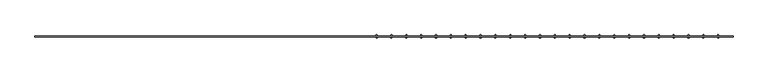
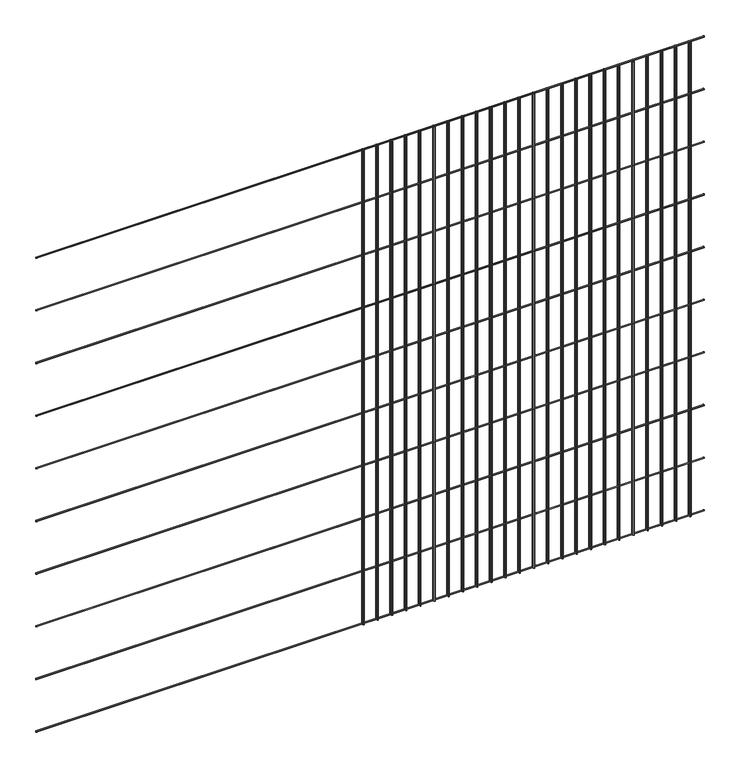
"""IFC4 building model written with IfcOpenShell, lengths in millimetres: railing geometry."""

from ifc_helpers import new_model, si_unit, point, frame, frame_2d, origin, place, context, project, spatial, circle_curve, trimmed, segment, composite_curve, outline, extrude, source, transform, mapped, element, save


def railing_88ce8ea8(model_context):
    return source(origin(), model_context, "Body", "SweptSolid", [
        extrude(outline(composite_curve([segment(trimmed(circle_curve(frame_2d((639.6639637, 9450.8835937)), 2.0574), [point((641.7213637, 9450.8835937))], [point((637.6065637, 9450.8835937))], False, "CARTESIAN"), True, "CONTINUOUS"), segment(trimmed(circle_curve(frame_2d((639.6639637, 9450.8835937)), 2.0574), [point((637.6065637, 9450.8835937))], [point((641.7213637, 9450.8835937))], False, "CARTESIAN"), True, "CONTINUOUS")], self_intersect=False)), frame((-5189.4581376, 0.0, 0.0), z_axis=(1.0, 0.0, 0.0), x_axis=(0.0, 1.0, 0.0)), (0.0, 0.0, 1.0), 2438.4),
        extrude(outline(composite_curve([segment(trimmed(circle_curve(frame_2d((639.6639637, 9247.6835937)), 2.0574), [point((641.7213637, 9247.6835937))], [point((637.6065637, 9247.6835937))], False, "CARTESIAN"), True, "CONTINUOUS"), segment(trimmed(circle_curve(frame_2d((639.6639637, 9247.6835937)), 2.0574), [point((637.6065637, 9247.6835937))], [point((641.7213637, 9247.6835937))], False, "CARTESIAN"), True, "CONTINUOUS")], self_intersect=False)), frame((-5189.4581376, 0.0, 0.0), z_axis=(1.0, 0.0, 0.0), x_axis=(0.0, 1.0, 0.0)), (0.0, 0.0, 1.0), 2438.4),
        extrude(outline(composite_curve([segment(trimmed(circle_curve(frame_2d((639.6639637, 9044.4835937)), 2.0574), [point((641.7213637, 9044.4835937))], [point((637.6065637, 9044.4835937))], False, "CARTESIAN"), True, "CONTINUOUS"), segment(trimmed(circle_curve(frame_2d((639.6639637, 9044.4835937)), 2.0574), [point((637.6065637, 9044.4835937))], [point((641.7213637, 9044.4835937))], False, "CARTESIAN"), True, "CONTINUOUS")], self_intersect=False)), frame((-5189.4581376, 0.0, 0.0), z_axis=(1.0, 0.0, 0.0), x_axis=(0.0, 1.0, 0.0)), (0.0, 0.0, 1.0), 2438.4),
        extrude(outline(composite_curve([segment(trimmed(circle_curve(frame_2d((639.6639637, 8841.2835937)), 2.0574), [point((641.7213637, 8841.2835937))], [point((637.6065637, 8841.2835937))], False, "CARTESIAN"), True, "CONTINUOUS"), segment(trimmed(circle_curve(frame_2d((639.6639637, 8841.2835937)), 2.0574), [point((637.6065637, 8841.2835937))], [point((641.7213637, 8841.2835937))], False, "CARTESIAN"), True, "CONTINUOUS")], self_intersect=False)), frame((-5189.4581376, 0.0, 0.0), z_axis=(1.0, 0.0, 0.0), x_axis=(0.0, 1.0, 0.0)), (0.0, 0.0, 1.0), 2438.4),
        extrude(outline(composite_curve([segment(trimmed(circle_curve(frame_2d((639.6639637, 8638.0835937)), 2.0574), [point((641.7213637, 8638.0835937))], [point((637.6065637, 8638.0835937))], False, "CARTESIAN"), True, "CONTINUOUS"), segment(trimmed(circle_curve(frame_2d((639.6639637, 8638.0835937)), 2.0574), [point((637.6065637, 8638.0835937))], [point((641.7213637, 8638.0835937))], False, "CARTESIAN"), True, "CONTINUOUS")], self_intersect=False)), frame((-5189.4581376, 0.0, 0.0), z_axis=(1.0, 0.0, 0.0), x_axis=(0.0, 1.0, 0.0)), (0.0, 0.0, 1.0), 2438.4),
        extrude(outline(composite_curve([segment(trimmed(circle_curve(frame_2d((639.6639637, 8434.8835937)), 2.0574), [point((641.7213637, 8434.8835937))], [point((637.6065637, 8434.8835937))], False, "CARTESIAN"), True, "CONTINUOUS"), segment(trimmed(circle_curve(frame_2d((639.6639637, 8434.8835937)), 2.0574), [point((637.6065637, 8434.8835937))], [point((641.7213637, 8434.8835937))], False, "CARTESIAN"), True, "CONTINUOUS")], self_intersect=False)), frame((-5189.4581376, 0.0, 0.0), z_axis=(1.0, 0.0, 0.0), x_axis=(0.0, 1.0, 0.0)), (0.0, 0.0, 1.0), 2438.4),
        extrude(outline(composite_curve([segment(trimmed(circle_curve(frame_2d((639.6639637, 8231.6835937)), 2.0574), [point((641.7213637, 8231.6835937))], [point((637.6065637, 8231.6835937))], False, "CARTESIAN"), True, "CONTINUOUS"), segment(trimmed(circle_curve(frame_2d((639.6639637, 8231.6835937)), 2.0574), [point((637.6065637, 8231.6835937))], [point((641.7213637, 8231.6835937))], False, "CARTESIAN"), True, "CONTINUOUS")], self_intersect=False)), frame((-5189.4581376, 0.0, 0.0), z_axis=(1.0, 0.0, 0.0), x_axis=(0.0, 1.0, 0.0)), (0.0, 0.0, 1.0), 2438.4),
        extrude(outline(composite_curve([segment(trimmed(circle_curve(frame_2d((639.6639637, 8028.4835937)), 2.0574), [point((641.7213637, 8028.4835937))], [point((637.6065637, 8028.4835937))], False, "CARTESIAN"), True, "CONTINUOUS"), segment(trimmed(circle_curve(frame_2d((639.6639637, 8028.4835937)), 2.0574), [point((637.6065637, 8028.4835937))], [point((641.7213637, 8028.4835937))], False, "CARTESIAN"), True, "CONTINUOUS")], self_intersect=False)), frame((-5189.4581376, 0.0, 0.0), z_axis=(1.0, 0.0, 0.0), x_axis=(0.0, 1.0, 0.0)), (0.0, 0.0, 1.0), 2438.4),
        extrude(outline(composite_curve([segment(trimmed(circle_curve(frame_2d((639.6639637, 7825.2835937)), 2.0574), [point((641.7213637, 7825.2835937))], [point((637.6065637, 7825.2835937))], False, "CARTESIAN"), True, "CONTINUOUS"), segment(trimmed(circle_curve(frame_2d((639.6639637, 7825.2835937)), 2.0574), [point((637.6065637, 7825.2835937))], [point((641.7213637, 7825.2835937))], False, "CARTESIAN"), True, "CONTINUOUS")], self_intersect=False)), frame((-5189.4581376, 0.0, 0.0), z_axis=(1.0, 0.0, 0.0), x_axis=(0.0, 1.0, 0.0)), (0.0, 0.0, 1.0), 2438.4),
        extrude(outline(composite_curve([segment(trimmed(circle_curve(frame_2d((639.6639637, 7622.0835937)), 2.0574), [point((641.7213637, 7622.0835937))], [point((637.6065637, 7622.0835937))], False, "CARTESIAN"), True, "CONTINUOUS"), segment(trimmed(circle_curve(frame_2d((639.6639637, 7622.0835937)), 2.0574), [point((637.6065637, 7622.0835937))], [point((641.7213637, 7622.0835937))], False, "CARTESIAN"), True, "CONTINUOUS")], self_intersect=False)), frame((-5189.4581376, 0.0, 0.0), z_axis=(1.0, 0.0, 0.0), x_axis=(0.0, 1.0, 0.0)), (0.0, 0.0, 1.0), 2438.4),
        extrude(outline(composite_curve([segment(trimmed(circle_curve(frame_2d((-2802.9389887, 643.7787637)), 2.0574), [point((-2802.9389887, 641.7213637))], [point((-2802.9389887, 645.8361637))], False, "CARTESIAN"), True, "CONTINUOUS"), segment(trimmed(circle_curve(frame_2d((-2802.9389887, 643.7787637)), 2.0574), [point((-2802.9389887, 645.8361637))], [point((-2802.9389887, 641.7213637))], False, "CARTESIAN"), True, "CONTINUOUS")], self_intersect=False)), frame((0.0, 0.0, 7620.0), z_axis=(0.0, 0.0, 1.0), x_axis=(1.0, 0.0, 0.0)), (0.0, 0.0, 1.0), 1828.8),
        extrude(outline(composite_curve([segment(trimmed(circle_curve(frame_2d((-2802.9389887, 635.5491637)), 2.0574), [point((-2802.9389887, 637.6065637))], [point((-2802.9389887, 633.4917637))], False, "CARTESIAN"), True, "CONTINUOUS"), segment(trimmed(circle_curve(frame_2d((-2802.9389887, 635.5491637)), 2.0574), [point((-2802.9389887, 633.4917637))], [point((-2802.9389887, 637.6065637))], False, "CARTESIAN"), True, "CONTINUOUS")], self_intersect=False)), frame((0.0, 0.0, 7620.0), z_axis=(0.0, 0.0, 1.0), x_axis=(1.0, 0.0, 0.0)), (0.0, 0.0, 1.0), 1828.8),
        extrude(outline(composite_curve([segment(trimmed(circle_curve(frame_2d((-2854.8198397, 643.7787637)), 2.0574), [point((-2854.8198397, 641.7213637))], [point((-2854.8198397, 645.8361637))], False, "CARTESIAN"), True, "CONTINUOUS"), segment(trimmed(circle_curve(frame_2d((-2854.8198397, 643.7787637)), 2.0574), [point((-2854.8198397, 645.8361637))], [point((-2854.8198397, 641.7213637))], False, "CARTESIAN"), True, "CONTINUOUS")], self_intersect=False)), frame((0.0, 0.0, 7620.0), z_axis=(0.0, 0.0, 1.0), x_axis=(1.0, 0.0, 0.0)), (0.0, 0.0, 1.0), 1828.8),
        extrude(outline(composite_curve([segment(trimmed(circle_curve(frame_2d((-2854.8198397, 635.5491637)), 2.0574), [point((-2854.8198397, 637.6065637))], [point((-2854.8198397, 633.4917637))], False, "CARTESIAN"), True, "CONTINUOUS"), segment(trimmed(circle_curve(frame_2d((-2854.8198397, 635.5491637)), 2.0574), [point((-2854.8198397, 633.4917637))], [point((-2854.8198397, 637.6065637))], False, "CARTESIAN"), True, "CONTINUOUS")], self_intersect=False)), frame((0.0, 0.0, 7620.0), z_axis=(0.0, 0.0, 1.0), x_axis=(1.0, 0.0, 0.0)), (0.0, 0.0, 1.0), 1828.8),
        extrude(outline(composite_curve([segment(trimmed(circle_curve(frame_2d((-2906.7006908, 643.7787637)), 2.0574), [point((-2906.7006908, 641.7213637))], [point((-2906.7006908, 645.8361637))], False, "CARTESIAN"), True, "CONTINUOUS"), segment(trimmed(circle_curve(frame_2d((-2906.7006908, 643.7787637)), 2.0574), [point((-2906.7006908, 645.8361637))], [point((-2906.7006908, 641.7213637))], False, "CARTESIAN"), True, "CONTINUOUS")], self_intersect=False)), frame((0.0, 0.0, 7620.0), z_axis=(0.0, 0.0, 1.0), x_axis=(1.0, 0.0, 0.0)), (0.0, 0.0, 1.0), 1828.8),
        extrude(outline(composite_curve([segment(trimmed(circle_curve(frame_2d((-2906.7006908, 635.5491637)), 2.0574), [point((-2906.7006908, 637.6065637))], [point((-2906.7006908, 633.4917637))], False, "CARTESIAN"), True, "CONTINUOUS"), segment(trimmed(circle_curve(frame_2d((-2906.7006908, 635.5491637)), 2.0574), [point((-2906.7006908, 633.4917637))], [point((-2906.7006908, 637.6065637))], False, "CARTESIAN"), True, "CONTINUOUS")], self_intersect=False)), frame((0.0, 0.0, 7620.0), z_axis=(0.0, 0.0, 1.0), x_axis=(1.0, 0.0, 0.0)), (0.0, 0.0, 1.0), 1828.8),
        extrude(outline(composite_curve([segment(trimmed(circle_curve(frame_2d((-2958.5815419, 643.7787637)), 2.0574), [point((-2958.5815419, 641.7213637))], [point((-2958.5815419, 645.8361637))], False, "CARTESIAN"), True, "CONTINUOUS"), segment(trimmed(circle_curve(frame_2d((-2958.5815419, 643.7787637)), 2.0574), [point((-2958.5815419, 645.8361637))], [point((-2958.5815419, 641.7213637))], False, "CARTESIAN"), True, "CONTINUOUS")], self_intersect=False)), frame((0.0, 0.0, 7620.0), z_axis=(0.0, 0.0, 1.0), x_axis=(1.0, 0.0, 0.0)), (0.0, 0.0, 1.0), 1828.8),
        extrude(outline(composite_curve([segment(trimmed(circle_curve(frame_2d((-2958.5815419, 635.5491637)), 2.0574), [point((-2958.5815419, 637.6065637))], [point((-2958.5815419, 633.4917637))], False, "CARTESIAN"), True, "CONTINUOUS"), segment(trimmed(circle_curve(frame_2d((-2958.5815419, 635.5491637)), 2.0574), [point((-2958.5815419, 633.4917637))], [point((-2958.5815419, 637.6065637))], False, "CARTESIAN"), True, "CONTINUOUS")], self_intersect=False)), frame((0.0, 0.0, 7620.0), z_axis=(0.0, 0.0, 1.0), x_axis=(1.0, 0.0, 0.0)), (0.0, 0.0, 1.0), 1828.8),
        extrude(outline(composite_curve([segment(trimmed(circle_curve(frame_2d((-3010.4623929, 643.7787637)), 2.0574), [point((-3010.4623929, 641.7213637))], [point((-3010.4623929, 645.8361637))], False, "CARTESIAN"), True, "CONTINUOUS"), segment(trimmed(circle_curve(frame_2d((-3010.4623929, 643.7787637)), 2.0574), [point((-3010.4623929, 645.8361637))], [point((-3010.4623929, 641.7213637))], False, "CARTESIAN"), True, "CONTINUOUS")], self_intersect=False)), frame((0.0, 0.0, 7620.0), z_axis=(0.0, 0.0, 1.0), x_axis=(1.0, 0.0, 0.0)), (0.0, 0.0, 1.0), 1828.8),
        extrude(outline(composite_curve([segment(trimmed(circle_curve(frame_2d((-3010.4623929, 635.5491637)), 2.0574), [point((-3010.4623929, 637.6065637))], [point((-3010.4623929, 633.4917637))], False, "CARTESIAN"), True, "CONTINUOUS"), segment(trimmed(circle_curve(frame_2d((-3010.4623929, 635.5491637)), 2.0574), [point((-3010.4623929, 633.4917637))], [point((-3010.4623929, 637.6065637))], False, "CARTESIAN"), True, "CONTINUOUS")], self_intersect=False)), frame((0.0, 0.0, 7620.0), z_axis=(0.0, 0.0, 1.0), x_axis=(1.0, 0.0, 0.0)), (0.0, 0.0, 1.0), 1828.8),
        extrude(outline(composite_curve([segment(trimmed(circle_curve(frame_2d((-3062.343244, 643.7787637)), 2.0574), [point((-3062.343244, 641.7213637))], [point((-3062.343244, 645.8361637))], False, "CARTESIAN"), True, "CONTINUOUS"), segment(trimmed(circle_curve(frame_2d((-3062.343244, 643.7787637)), 2.0574), [point((-3062.343244, 645.8361637))], [point((-3062.343244, 641.7213637))], False, "CARTESIAN"), True, "CONTINUOUS")], self_intersect=False)), frame((0.0, 0.0, 7620.0), z_axis=(0.0, 0.0, 1.0), x_axis=(1.0, 0.0, 0.0)), (0.0, 0.0, 1.0), 1828.8),
        extrude(outline(composite_curve([segment(trimmed(circle_curve(frame_2d((-3062.343244, 635.5491637)), 2.0574), [point((-3062.343244, 637.6065637))], [point((-3062.343244, 633.4917637))], False, "CARTESIAN"), True, "CONTINUOUS"), segment(trimmed(circle_curve(frame_2d((-3062.343244, 635.5491637)), 2.0574), [point((-3062.343244, 633.4917637))], [point((-3062.343244, 637.6065637))], False, "CARTESIAN"), True, "CONTINUOUS")], self_intersect=False)), frame((0.0, 0.0, 7620.0), z_axis=(0.0, 0.0, 1.0), x_axis=(1.0, 0.0, 0.0)), (0.0, 0.0, 1.0), 1828.8),
        extrude(outline(composite_curve([segment(trimmed(circle_curve(frame_2d((-3114.2240951, 643.7787637)), 2.0574), [point((-3114.2240951, 641.7213637))], [point((-3114.2240951, 645.8361637))], False, "CARTESIAN"), True, "CONTINUOUS"), segment(trimmed(circle_curve(frame_2d((-3114.2240951, 643.7787637)), 2.0574), [point((-3114.2240951, 645.8361637))], [point((-3114.2240951, 641.7213637))], False, "CARTESIAN"), True, "CONTINUOUS")], self_intersect=False)), frame((0.0, 0.0, 7620.0), z_axis=(0.0, 0.0, 1.0), x_axis=(1.0, 0.0, 0.0)), (0.0, 0.0, 1.0), 1828.8),
        extrude(outline(composite_curve([segment(trimmed(circle_curve(frame_2d((-3114.2240951, 635.5491637)), 2.0574), [point((-3114.2240951, 637.6065637))], [point((-3114.2240951, 633.4917637))], False, "CARTESIAN"), True, "CONTINUOUS"), segment(trimmed(circle_curve(frame_2d((-3114.2240951, 635.5491637)), 2.0574), [point((-3114.2240951, 633.4917637))], [point((-3114.2240951, 637.6065637))], False, "CARTESIAN"), True, "CONTINUOUS")], self_intersect=False)), frame((0.0, 0.0, 7620.0), z_axis=(0.0, 0.0, 1.0), x_axis=(1.0, 0.0, 0.0)), (0.0, 0.0, 1.0), 1828.8),
        extrude(outline(composite_curve([segment(trimmed(circle_curve(frame_2d((-3166.1049461, 643.7787637)), 2.0574), [point((-3166.1049461, 641.7213637))], [point((-3166.1049461, 645.8361637))], False, "CARTESIAN"), True, "CONTINUOUS"), segment(trimmed(circle_curve(frame_2d((-3166.1049461, 643.7787637)), 2.0574), [point((-3166.1049461, 645.8361637))], [point((-3166.1049461, 641.7213637))], False, "CARTESIAN"), True, "CONTINUOUS")], self_intersect=False)), frame((0.0, 0.0, 7620.0), z_axis=(0.0, 0.0, 1.0), x_axis=(1.0, 0.0, 0.0)), (0.0, 0.0, 1.0), 1828.8),
        extrude(outline(composite_curve([segment(trimmed(circle_curve(frame_2d((-3166.1049461, 635.5491637)), 2.0574), [point((-3166.1049461, 637.6065637))], [point((-3166.1049461, 633.4917637))], False, "CARTESIAN"), True, "CONTINUOUS"), segment(trimmed(circle_curve(frame_2d((-3166.1049461, 635.5491637)), 2.0574), [point((-3166.1049461, 633.4917637))], [point((-3166.1049461, 637.6065637))], False, "CARTESIAN"), True, "CONTINUOUS")], self_intersect=False)), frame((0.0, 0.0, 7620.0), z_axis=(0.0, 0.0, 1.0), x_axis=(1.0, 0.0, 0.0)), (0.0, 0.0, 1.0), 1828.8),
        extrude(outline(composite_curve([segment(trimmed(circle_curve(frame_2d((-3217.9857972, 643.7787637)), 2.0574), [point((-3217.9857972, 641.7213637))], [point((-3217.9857972, 645.8361637))], False, "CARTESIAN"), True, "CONTINUOUS"), segment(trimmed(circle_curve(frame_2d((-3217.9857972, 643.7787637)), 2.0574), [point((-3217.9857972, 645.8361637))], [point((-3217.9857972, 641.7213637))], False, "CARTESIAN"), True, "CONTINUOUS")], self_intersect=False)), frame((0.0, 0.0, 7620.0), z_axis=(0.0, 0.0, 1.0), x_axis=(1.0, 0.0, 0.0)), (0.0, 0.0, 1.0), 1828.8),
        extrude(outline(composite_curve([segment(trimmed(circle_curve(frame_2d((-3217.9857972, 635.5491637)), 2.0574), [point((-3217.9857972, 637.6065637))], [point((-3217.9857972, 633.4917637))], False, "CARTESIAN"), True, "CONTINUOUS"), segment(trimmed(circle_curve(frame_2d((-3217.9857972, 635.5491637)), 2.0574), [point((-3217.9857972, 633.4917637))], [point((-3217.9857972, 637.6065637))], False, "CARTESIAN"), True, "CONTINUOUS")], self_intersect=False)), frame((0.0, 0.0, 7620.0), z_axis=(0.0, 0.0, 1.0), x_axis=(1.0, 0.0, 0.0)), (0.0, 0.0, 1.0), 1828.8),
        extrude(outline(composite_curve([segment(trimmed(circle_curve(frame_2d((-3269.8666482, 643.7787637)), 2.0574), [point((-3269.8666482, 641.7213637))], [point((-3269.8666482, 645.8361637))], False, "CARTESIAN"), True, "CONTINUOUS"), segment(trimmed(circle_curve(frame_2d((-3269.8666482, 643.7787637)), 2.0574), [point((-3269.8666482, 645.8361637))], [point((-3269.8666482, 641.7213637))], False, "CARTESIAN"), True, "CONTINUOUS")], self_intersect=False)), frame((0.0, 0.0, 7620.0), z_axis=(0.0, 0.0, 1.0), x_axis=(1.0, 0.0, 0.0)), (0.0, 0.0, 1.0), 1828.8),
        extrude(outline(composite_curve([segment(trimmed(circle_curve(frame_2d((-3269.8666482, 635.5491637)), 2.0574), [point((-3269.8666482, 637.6065637))], [point((-3269.8666482, 633.4917637))], False, "CARTESIAN"), True, "CONTINUOUS"), segment(trimmed(circle_curve(frame_2d((-3269.8666482, 635.5491637)), 2.0574), [point((-3269.8666482, 633.4917637))], [point((-3269.8666482, 637.6065637))], False, "CARTESIAN"), True, "CONTINUOUS")], self_intersect=False)), frame((0.0, 0.0, 7620.0), z_axis=(0.0, 0.0, 1.0), x_axis=(1.0, 0.0, 0.0)), (0.0, 0.0, 1.0), 1828.8),
        extrude(outline(composite_curve([segment(trimmed(circle_curve(frame_2d((-3321.7474993, 643.7787637)), 2.0574), [point((-3321.7474993, 641.7213637))], [point((-3321.7474993, 645.8361637))], False, "CARTESIAN"), True, "CONTINUOUS"), segment(trimmed(circle_curve(frame_2d((-3321.7474993, 643.7787637)), 2.0574), [point((-3321.7474993, 645.8361637))], [point((-3321.7474993, 641.7213637))], False, "CARTESIAN"), True, "CONTINUOUS")], self_intersect=False)), frame((0.0, 0.0, 7620.0), z_axis=(0.0, 0.0, 1.0), x_axis=(1.0, 0.0, 0.0)), (0.0, 0.0, 1.0), 1828.8),
        extrude(outline(composite_curve([segment(trimmed(circle_curve(frame_2d((-3321.7474993, 635.5491637)), 2.0574), [point((-3321.7474993, 637.6065637))], [point((-3321.7474993, 633.4917637))], False, "CARTESIAN"), True, "CONTINUOUS"), segment(trimmed(circle_curve(frame_2d((-3321.7474993, 635.5491637)), 2.0574), [point((-3321.7474993, 633.4917637))], [point((-3321.7474993, 637.6065637))], False, "CARTESIAN"), True, "CONTINUOUS")], self_intersect=False)), frame((0.0, 0.0, 7620.0), z_axis=(0.0, 0.0, 1.0), x_axis=(1.0, 0.0, 0.0)), (0.0, 0.0, 1.0), 1828.8),
        extrude(outline(composite_curve([segment(trimmed(circle_curve(frame_2d((-3373.6283504, 643.7787637)), 2.0574), [point((-3373.6283504, 641.7213637))], [point((-3373.6283504, 645.8361637))], False, "CARTESIAN"), True, "CONTINUOUS"), segment(trimmed(circle_curve(frame_2d((-3373.6283504, 643.7787637)), 2.0574), [point((-3373.6283504, 645.8361637))], [point((-3373.6283504, 641.7213637))], False, "CARTESIAN"), True, "CONTINUOUS")], self_intersect=False)), frame((0.0, 0.0, 7620.0), z_axis=(0.0, 0.0, 1.0), x_axis=(1.0, 0.0, 0.0)), (0.0, 0.0, 1.0), 1828.8),
        extrude(outline(composite_curve([segment(trimmed(circle_curve(frame_2d((-3373.6283504, 635.5491637)), 2.0574), [point((-3373.6283504, 637.6065637))], [point((-3373.6283504, 633.4917637))], False, "CARTESIAN"), True, "CONTINUOUS"), segment(trimmed(circle_curve(frame_2d((-3373.6283504, 635.5491637)), 2.0574), [point((-3373.6283504, 633.4917637))], [point((-3373.6283504, 637.6065637))], False, "CARTESIAN"), True, "CONTINUOUS")], self_intersect=False)), frame((0.0, 0.0, 7620.0), z_axis=(0.0, 0.0, 1.0), x_axis=(1.0, 0.0, 0.0)), (0.0, 0.0, 1.0), 1828.8),
        extrude(outline(composite_curve([segment(trimmed(circle_curve(frame_2d((-3425.5092014, 643.7787637)), 2.0574), [point((-3425.5092014, 641.7213637))], [point((-3425.5092014, 645.8361637))], False, "CARTESIAN"), True, "CONTINUOUS"), segment(trimmed(circle_curve(frame_2d((-3425.5092014, 643.7787637)), 2.0574), [point((-3425.5092014, 645.8361637))], [point((-3425.5092014, 641.7213637))], False, "CARTESIAN"), True, "CONTINUOUS")], self_intersect=False)), frame((0.0, 0.0, 7620.0), z_axis=(0.0, 0.0, 1.0), x_axis=(1.0, 0.0, 0.0)), (0.0, 0.0, 1.0), 1828.8),
        extrude(outline(composite_curve([segment(trimmed(circle_curve(frame_2d((-3425.5092014, 635.5491637)), 2.0574), [point((-3425.5092014, 637.6065637))], [point((-3425.5092014, 633.4917637))], False, "CARTESIAN"), True, "CONTINUOUS"), segment(trimmed(circle_curve(frame_2d((-3425.5092014, 635.5491637)), 2.0574), [point((-3425.5092014, 633.4917637))], [point((-3425.5092014, 637.6065637))], False, "CARTESIAN"), True, "CONTINUOUS")], self_intersect=False)), frame((0.0, 0.0, 7620.0), z_axis=(0.0, 0.0, 1.0), x_axis=(1.0, 0.0, 0.0)), (0.0, 0.0, 1.0), 1828.8),
        extrude(outline(composite_curve([segment(trimmed(circle_curve(frame_2d((-3477.3900525, 643.7787637)), 2.0574), [point((-3477.3900525, 641.7213637))], [point((-3477.3900525, 645.8361637))], False, "CARTESIAN"), True, "CONTINUOUS"), segment(trimmed(circle_curve(frame_2d((-3477.3900525, 643.7787637)), 2.0574), [point((-3477.3900525, 645.8361637))], [point((-3477.3900525, 641.7213637))], False, "CARTESIAN"), True, "CONTINUOUS")], self_intersect=False)), frame((0.0, 0.0, 7620.0), z_axis=(0.0, 0.0, 1.0), x_axis=(1.0, 0.0, 0.0)), (0.0, 0.0, 1.0), 1828.8),
        extrude(outline(composite_curve([segment(trimmed(circle_curve(frame_2d((-3477.3900525, 635.5491637)), 2.0574), [point((-3477.3900525, 637.6065637))], [point((-3477.3900525, 633.4917637))], False, "CARTESIAN"), True, "CONTINUOUS"), segment(trimmed(circle_curve(frame_2d((-3477.3900525, 635.5491637)), 2.0574), [point((-3477.3900525, 633.4917637))], [point((-3477.3900525, 637.6065637))], False, "CARTESIAN"), True, "CONTINUOUS")], self_intersect=False)), frame((0.0, 0.0, 7620.0), z_axis=(0.0, 0.0, 1.0), x_axis=(1.0, 0.0, 0.0)), (0.0, 0.0, 1.0), 1828.8),
        extrude(outline(composite_curve([segment(trimmed(circle_curve(frame_2d((-3529.2709036, 643.7787637)), 2.0574), [point((-3529.2709036, 641.7213637))], [point((-3529.2709036, 645.8361637))], False, "CARTESIAN"), True, "CONTINUOUS"), segment(trimmed(circle_curve(frame_2d((-3529.2709036, 643.7787637)), 2.0574), [point((-3529.2709036, 645.8361637))], [point((-3529.2709036, 641.7213637))], False, "CARTESIAN"), True, "CONTINUOUS")], self_intersect=False)), frame((0.0, 0.0, 7620.0), z_axis=(0.0, 0.0, 1.0), x_axis=(1.0, 0.0, 0.0)), (0.0, 0.0, 1.0), 1828.8),
        extrude(outline(composite_curve([segment(trimmed(circle_curve(frame_2d((-3529.2709036, 635.5491637)), 2.0574), [point((-3529.2709036, 637.6065637))], [point((-3529.2709036, 633.4917637))], False, "CARTESIAN"), True, "CONTINUOUS"), segment(trimmed(circle_curve(frame_2d((-3529.2709036, 635.5491637)), 2.0574), [point((-3529.2709036, 633.4917637))], [point((-3529.2709036, 637.6065637))], False, "CARTESIAN"), True, "CONTINUOUS")], self_intersect=False)), frame((0.0, 0.0, 7620.0), z_axis=(0.0, 0.0, 1.0), x_axis=(1.0, 0.0, 0.0)), (0.0, 0.0, 1.0), 1828.8),
        extrude(outline(composite_curve([segment(trimmed(circle_curve(frame_2d((-3581.1517546, 643.7787637)), 2.0574), [point((-3581.1517546, 641.7213637))], [point((-3581.1517546, 645.8361637))], False, "CARTESIAN"), True, "CONTINUOUS"), segment(trimmed(circle_curve(frame_2d((-3581.1517546, 643.7787637)), 2.0574), [point((-3581.1517546, 645.8361637))], [point((-3581.1517546, 641.7213637))], False, "CARTESIAN"), True, "CONTINUOUS")], self_intersect=False)), frame((0.0, 0.0, 7620.0), z_axis=(0.0, 0.0, 1.0), x_axis=(1.0, 0.0, 0.0)), (0.0, 0.0, 1.0), 1828.8),
        extrude(outline(composite_curve([segment(trimmed(circle_curve(frame_2d((-3581.1517546, 635.5491637)), 2.0574), [point((-3581.1517546, 637.6065637))], [point((-3581.1517546, 633.4917637))], False, "CARTESIAN"), True, "CONTINUOUS"), segment(trimmed(circle_curve(frame_2d((-3581.1517546, 635.5491637)), 2.0574), [point((-3581.1517546, 633.4917637))], [point((-3581.1517546, 637.6065637))], False, "CARTESIAN"), True, "CONTINUOUS")], self_intersect=False)), frame((0.0, 0.0, 7620.0), z_axis=(0.0, 0.0, 1.0), x_axis=(1.0, 0.0, 0.0)), (0.0, 0.0, 1.0), 1828.8),
        extrude(outline(composite_curve([segment(trimmed(circle_curve(frame_2d((-3633.0326057, 643.7787637)), 2.0574), [point((-3633.0326057, 641.7213637))], [point((-3633.0326057, 645.8361637))], False, "CARTESIAN"), True, "CONTINUOUS"), segment(trimmed(circle_curve(frame_2d((-3633.0326057, 643.7787637)), 2.0574), [point((-3633.0326057, 645.8361637))], [point((-3633.0326057, 641.7213637))], False, "CARTESIAN"), True, "CONTINUOUS")], self_intersect=False)), frame((0.0, 0.0, 7620.0), z_axis=(0.0, 0.0, 1.0), x_axis=(1.0, 0.0, 0.0)), (0.0, 0.0, 1.0), 1828.8),
        extrude(outline(composite_curve([segment(trimmed(circle_curve(frame_2d((-3633.0326057, 635.5491637)), 2.0574), [point((-3633.0326057, 637.6065637))], [point((-3633.0326057, 633.4917637))], False, "CARTESIAN"), True, "CONTINUOUS"), segment(trimmed(circle_curve(frame_2d((-3633.0326057, 635.5491637)), 2.0574), [point((-3633.0326057, 633.4917637))], [point((-3633.0326057, 637.6065637))], False, "CARTESIAN"), True, "CONTINUOUS")], self_intersect=False)), frame((0.0, 0.0, 7620.0), z_axis=(0.0, 0.0, 1.0), x_axis=(1.0, 0.0, 0.0)), (0.0, 0.0, 1.0), 1828.8),
        extrude(outline(composite_curve([segment(trimmed(circle_curve(frame_2d((-3684.9134568, 643.7787637)), 2.0574), [point((-3684.9134568, 641.7213637))], [point((-3684.9134568, 645.8361637))], False, "CARTESIAN"), True, "CONTINUOUS"), segment(trimmed(circle_curve(frame_2d((-3684.9134568, 643.7787637)), 2.0574), [point((-3684.9134568, 645.8361637))], [point((-3684.9134568, 641.7213637))], False, "CARTESIAN"), True, "CONTINUOUS")], self_intersect=False)), frame((0.0, 0.0, 7620.0), z_axis=(0.0, 0.0, 1.0), x_axis=(1.0, 0.0, 0.0)), (0.0, 0.0, 1.0), 1828.8),
        extrude(outline(composite_curve([segment(trimmed(circle_curve(frame_2d((-3684.9134568, 635.5491637)), 2.0574), [point((-3684.9134568, 637.6065637))], [point((-3684.9134568, 633.4917637))], False, "CARTESIAN"), True, "CONTINUOUS"), segment(trimmed(circle_curve(frame_2d((-3684.9134568, 635.5491637)), 2.0574), [point((-3684.9134568, 633.4917637))], [point((-3684.9134568, 637.6065637))], False, "CARTESIAN"), True, "CONTINUOUS")], self_intersect=False)), frame((0.0, 0.0, 7620.0), z_axis=(0.0, 0.0, 1.0), x_axis=(1.0, 0.0, 0.0)), (0.0, 0.0, 1.0), 1828.8),
        extrude(outline(composite_curve([segment(trimmed(circle_curve(frame_2d((-3736.7943078, 643.7787637)), 2.0574), [point((-3736.7943078, 641.7213637))], [point((-3736.7943078, 645.8361637))], False, "CARTESIAN"), True, "CONTINUOUS"), segment(trimmed(circle_curve(frame_2d((-3736.7943078, 643.7787637)), 2.0574), [point((-3736.7943078, 645.8361637))], [point((-3736.7943078, 641.7213637))], False, "CARTESIAN"), True, "CONTINUOUS")], self_intersect=False)), frame((0.0, 0.0, 7620.0), z_axis=(0.0, 0.0, 1.0), x_axis=(1.0, 0.0, 0.0)), (0.0, 0.0, 1.0), 1828.8),
        extrude(outline(composite_curve([segment(trimmed(circle_curve(frame_2d((-3736.7943078, 635.5491637)), 2.0574), [point((-3736.7943078, 637.6065637))], [point((-3736.7943078, 633.4917637))], False, "CARTESIAN"), True, "CONTINUOUS"), segment(trimmed(circle_curve(frame_2d((-3736.7943078, 635.5491637)), 2.0574), [point((-3736.7943078, 633.4917637))], [point((-3736.7943078, 637.6065637))], False, "CARTESIAN"), True, "CONTINUOUS")], self_intersect=False)), frame((0.0, 0.0, 7620.0), z_axis=(0.0, 0.0, 1.0), x_axis=(1.0, 0.0, 0.0)), (0.0, 0.0, 1.0), 1828.8),
        extrude(outline(composite_curve([segment(trimmed(circle_curve(frame_2d((-3788.6751589, 643.7787637)), 2.0574), [point((-3788.6751589, 641.7213637))], [point((-3788.6751589, 645.8361637))], False, "CARTESIAN"), True, "CONTINUOUS"), segment(trimmed(circle_curve(frame_2d((-3788.6751589, 643.7787637)), 2.0574), [point((-3788.6751589, 645.8361637))], [point((-3788.6751589, 641.7213637))], False, "CARTESIAN"), True, "CONTINUOUS")], self_intersect=False)), frame((0.0, 0.0, 7620.0), z_axis=(0.0, 0.0, 1.0), x_axis=(1.0, 0.0, 0.0)), (0.0, 0.0, 1.0), 1828.8),
        extrude(outline(composite_curve([segment(trimmed(circle_curve(frame_2d((-3788.6751589, 635.5491637)), 2.0574), [point((-3788.6751589, 637.6065637))], [point((-3788.6751589, 633.4917637))], False, "CARTESIAN"), True, "CONTINUOUS"), segment(trimmed(circle_curve(frame_2d((-3788.6751589, 635.5491637)), 2.0574), [point((-3788.6751589, 633.4917637))], [point((-3788.6751589, 637.6065637))], False, "CARTESIAN"), True, "CONTINUOUS")], self_intersect=False)), frame((0.0, 0.0, 7620.0), z_axis=(0.0, 0.0, 1.0), x_axis=(1.0, 0.0, 0.0)), (0.0, 0.0, 1.0), 1828.8),
        extrude(outline(composite_curve([segment(trimmed(circle_curve(frame_2d((-3840.55601, 643.7787637)), 2.0574), [point((-3840.55601, 641.7213637))], [point((-3840.55601, 645.8361637))], False, "CARTESIAN"), True, "CONTINUOUS"), segment(trimmed(circle_curve(frame_2d((-3840.55601, 643.7787637)), 2.0574), [point((-3840.55601, 645.8361637))], [point((-3840.55601, 641.7213637))], False, "CARTESIAN"), True, "CONTINUOUS")], self_intersect=False)), frame((0.0, 0.0, 7620.0), z_axis=(0.0, 0.0, 1.0), x_axis=(1.0, 0.0, 0.0)), (0.0, 0.0, 1.0), 1828.8),
        extrude(outline(composite_curve([segment(trimmed(circle_curve(frame_2d((-3840.55601, 635.5491637)), 2.0574), [point((-3840.55601, 637.6065637))], [point((-3840.55601, 633.4917637))], False, "CARTESIAN"), True, "CONTINUOUS"), segment(trimmed(circle_curve(frame_2d((-3840.55601, 635.5491637)), 2.0574), [point((-3840.55601, 633.4917637))], [point((-3840.55601, 637.6065637))], False, "CARTESIAN"), True, "CONTINUOUS")], self_intersect=False)), frame((0.0, 0.0, 7620.0), z_axis=(0.0, 0.0, 1.0), x_axis=(1.0, 0.0, 0.0)), (0.0, 0.0, 1.0), 1828.8),
        extrude(outline(composite_curve([segment(trimmed(circle_curve(frame_2d((-3892.436861, 643.7787637)), 2.0574), [point((-3892.436861, 641.7213637))], [point((-3892.436861, 645.8361637))], False, "CARTESIAN"), True, "CONTINUOUS"), segment(trimmed(circle_curve(frame_2d((-3892.436861, 643.7787637)), 2.0574), [point((-3892.436861, 645.8361637))], [point((-3892.436861, 641.7213637))], False, "CARTESIAN"), True, "CONTINUOUS")], self_intersect=False)), frame((0.0, 0.0, 7620.0), z_axis=(0.0, 0.0, 1.0), x_axis=(1.0, 0.0, 0.0)), (0.0, 0.0, 1.0), 1828.8),
        extrude(outline(composite_curve([segment(trimmed(circle_curve(frame_2d((-3892.436861, 635.5491637)), 2.0574), [point((-3892.436861, 637.6065637))], [point((-3892.436861, 633.4917637))], False, "CARTESIAN"), True, "CONTINUOUS"), segment(trimmed(circle_curve(frame_2d((-3892.436861, 635.5491637)), 2.0574), [point((-3892.436861, 633.4917637))], [point((-3892.436861, 637.6065637))], False, "CARTESIAN"), True, "CONTINUOUS")], self_intersect=False)), frame((0.0, 0.0, 7620.0), z_axis=(0.0, 0.0, 1.0), x_axis=(1.0, 0.0, 0.0)), (0.0, 0.0, 1.0), 1828.8),
        extrude(outline(composite_curve([segment(trimmed(circle_curve(frame_2d((-3944.3177121, 643.7787637)), 2.0574), [point((-3944.3177121, 641.7213637))], [point((-3944.3177121, 645.8361637))], False, "CARTESIAN"), True, "CONTINUOUS"), segment(trimmed(circle_curve(frame_2d((-3944.3177121, 643.7787637)), 2.0574), [point((-3944.3177121, 645.8361637))], [point((-3944.3177121, 641.7213637))], False, "CARTESIAN"), True, "CONTINUOUS")], self_intersect=False)), frame((0.0, 0.0, 7620.0), z_axis=(0.0, 0.0, 1.0), x_axis=(1.0, 0.0, 0.0)), (0.0, 0.0, 1.0), 1828.8),
        extrude(outline(composite_curve([segment(trimmed(circle_curve(frame_2d((-3944.3177121, 635.5491637)), 2.0574), [point((-3944.3177121, 637.6065637))], [point((-3944.3177121, 633.4917637))], False, "CARTESIAN"), True, "CONTINUOUS"), segment(trimmed(circle_curve(frame_2d((-3944.3177121, 635.5491637)), 2.0574), [point((-3944.3177121, 633.4917637))], [point((-3944.3177121, 637.6065637))], False, "CARTESIAN"), True, "CONTINUOUS")], self_intersect=False)), frame((0.0, 0.0, 7620.0), z_axis=(0.0, 0.0, 1.0), x_axis=(1.0, 0.0, 0.0)), (0.0, 0.0, 1.0), 1828.8),
        extrude(outline(composite_curve([segment(trimmed(circle_curve(frame_2d((-3996.1985631, 643.7787637)), 2.0574), [point((-3996.1985631, 641.7213637))], [point((-3996.1985631, 645.8361637))], False, "CARTESIAN"), True, "CONTINUOUS"), segment(trimmed(circle_curve(frame_2d((-3996.1985631, 643.7787637)), 2.0574), [point((-3996.1985631, 645.8361637))], [point((-3996.1985631, 641.7213637))], False, "CARTESIAN"), True, "CONTINUOUS")], self_intersect=False)), frame((0.0, 0.0, 7620.0), z_axis=(0.0, 0.0, 1.0), x_axis=(1.0, 0.0, 0.0)), (0.0, 0.0, 1.0), 1828.8),
        extrude(outline(composite_curve([segment(trimmed(circle_curve(frame_2d((-3996.1985631, 635.5491637)), 2.0574), [point((-3996.1985631, 637.6065637))], [point((-3996.1985631, 633.4917637))], False, "CARTESIAN"), True, "CONTINUOUS"), segment(trimmed(circle_curve(frame_2d((-3996.1985631, 635.5491637)), 2.0574), [point((-3996.1985631, 633.4917637))], [point((-3996.1985631, 637.6065637))], False, "CARTESIAN"), True, "CONTINUOUS")], self_intersect=False)), frame((0.0, 0.0, 7620.0), z_axis=(0.0, 0.0, 1.0), x_axis=(1.0, 0.0, 0.0)), (0.0, 0.0, 1.0), 1828.8),
    ])


if __name__ == "__main__":
    model = new_model("IFC4")
    model_context = context("Model", 3, world=origin())
    ifc_project = project(units=[si_unit("LENGTHUNIT", "METRE", prefix="MILLI")], contexts=[model_context])
    site = spatial("IfcSite", under=ifc_project)
    building = spatial("IfcBuilding", under=site)
    placement = place(None, origin())
    railing_shape = railing_88ce8ea8(model_context)
    element("IfcRailing", 1, at=placement, inside=building, context=model_context, shape_type="MappedRepresentation", body=[
        mapped(railing_shape, transform((0.0, 0.0, 0.0), x_axis=(1.0, 0.0, 0.0), y_axis=(0.0, 1.0, 0.0), z_axis=(0.0, 0.0, 1.0))),
    ])
    save(model, "model.ifc")
